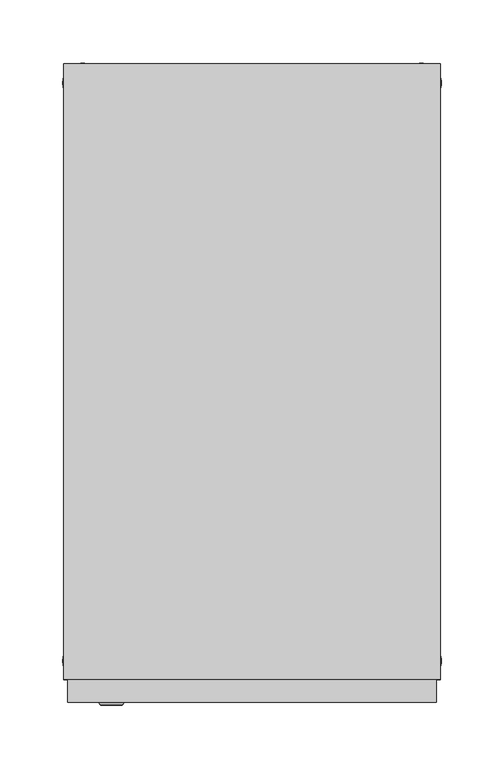
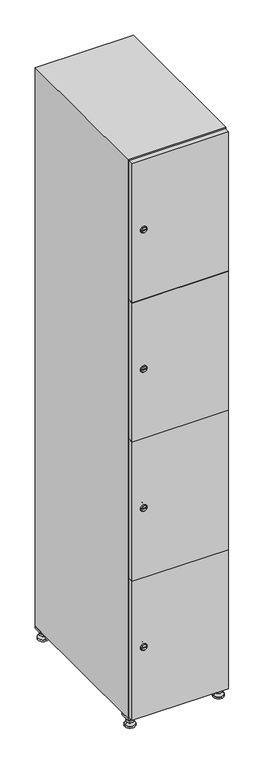
"""IFC4 building model written with IfcOpenShell, lengths in millimetres: furniture geometry."""

from ifc_helpers import new_model, si_unit, point, frame, frame_2d, origin, origin_with_axes, place, context, project, spatial, polyline, circle_curve, trimmed, segment, composite_curve, outline, extrude, faceted_brep, source, transform, mapped, element, save
from ifc_brep_helpers import plane_surface, revolved_surface, advanced_brep


def furniture_fc5e28e0(model_context):
    return source(origin(), model_context, "Body", "SolidModel", [
        extrude(outline(polyline([(100.0, 245.0), (100.0, 215.0), (70.0, 215.0), (70.0, 245.0), (100.0, 245.0)]), holes=[polyline([(98.0, 243.0), (72.0, 243.0), (72.0, 217.0), (98.0, 217.0), (98.0, 243.0)])]), frame((0.0, 0.0, 28.5), z_axis=(0.0, 0.0, 1.0), x_axis=(1.0, 0.0, 0.0)), (0.0, 0.0, 1.0), 6.5),
        extrude(outline(polyline([(70.0, -245.0), (70.0, -215.0), (100.0, -215.0), (100.0, -245.0), (70.0, -245.0)]), holes=[polyline([(72.0, -243.0), (98.0, -243.0), (98.0, -217.0), (72.0, -217.0), (72.0, -243.0)])]), frame((0.0, 0.0, 28.5), z_axis=(0.0, 0.0, 1.0), x_axis=(1.0, 0.0, 0.0)), (0.0, 0.0, 1.0), 6.5),
        extrude(outline(polyline([(-170.0, 245.0), (-170.0, 215.0), (-200.0, 215.0), (-200.0, 245.0), (-170.0, 245.0)]), holes=[polyline([(-172.0, 243.0), (-198.0, 243.0), (-198.0, 217.0), (-172.0, 217.0), (-172.0, 243.0)])]), frame((0.0, 0.0, 28.5), z_axis=(0.0, 0.0, 1.0), x_axis=(1.0, 0.0, 0.0)), (0.0, 0.0, 1.0), 6.5),
        extrude(outline(polyline([(-170.0, -215.0), (-170.0, -245.0), (-200.0, -245.0), (-200.0, -215.0), (-170.0, -215.0)]), holes=[polyline([(-198.0, -243.0), (-172.0, -243.0), (-172.0, -217.0), (-198.0, -217.0), (-198.0, -243.0)])]), frame((0.0, 0.0, 28.5), z_axis=(0.0, 0.0, 1.0), x_axis=(1.0, 0.0, 0.0)), (0.0, 0.0, 1.0), 6.5),
        extrude(outline(composite_curve([segment(trimmed(circle_curve(frame_2d((-185.0, 230.0)), 5.0), [point((-180.0, 230.0))], [point((-190.0, 230.0))], False, "CARTESIAN"), True, "CONTINUOUS"), segment(trimmed(circle_curve(frame_2d((-185.0, 230.0)), 5.0), [point((-190.0, 230.0))], [point((-180.0, 230.0))], False, "CARTESIAN"), True, "CONTINUOUS")], self_intersect=False)), frame((0.0, 0.0, 19.6), z_axis=(0.0, 0.0, 1.0), x_axis=(1.0, 0.0, 0.0)), (0.0, 0.0, 1.0), 15.4),
        extrude(outline(composite_curve([segment(trimmed(circle_curve(frame_2d((-185.0, -230.0)), 5.0), [point((-180.0, -230.0))], [point((-190.0, -230.0))], False, "CARTESIAN"), True, "CONTINUOUS"), segment(trimmed(circle_curve(frame_2d((-185.0, -230.0)), 5.0), [point((-190.0, -230.0))], [point((-180.0, -230.0))], False, "CARTESIAN"), True, "CONTINUOUS")], self_intersect=False)), frame((0.0, 0.0, 19.6), z_axis=(0.0, 0.0, 1.0), x_axis=(1.0, 0.0, 0.0)), (0.0, 0.0, 1.0), 15.4),
        extrude(outline(composite_curve([segment(trimmed(circle_curve(frame_2d((85.0, 230.0)), 5.0), [point((90.0, 230.0))], [point((80.0, 230.0))], False, "CARTESIAN"), True, "CONTINUOUS"), segment(trimmed(circle_curve(frame_2d((85.0, 230.0)), 5.0), [point((80.0, 230.0))], [point((90.0, 230.0))], False, "CARTESIAN"), True, "CONTINUOUS")], self_intersect=False)), frame((0.0, 0.0, 19.6), z_axis=(0.0, 0.0, 1.0), x_axis=(1.0, 0.0, 0.0)), (0.0, 0.0, 1.0), 15.4),
        extrude(outline(polyline([(73.4529946, 230.0), (79.2264973, 240.0), (90.7735027, 240.0), (96.5470054, 230.0), (90.7735027, 220.0), (79.2264973, 220.0), (73.4529946, 230.0)])), frame((0.0, 0.0, 13.6), z_axis=(0.0, 0.0, 1.0), x_axis=(1.0, 0.0, 0.0)), (0.0, 0.0, 1.0), 6.0),
        extrude(outline(composite_curve([segment(trimmed(circle_curve(frame_2d((85.0, -230.0)), 5.0), [point((90.0, -230.0))], [point((80.0, -230.0))], False, "CARTESIAN"), True, "CONTINUOUS"), segment(trimmed(circle_curve(frame_2d((85.0, -230.0)), 5.0), [point((80.0, -230.0))], [point((90.0, -230.0))], False, "CARTESIAN"), True, "CONTINUOUS")], self_intersect=False)), frame((0.0, 0.0, 19.6), z_axis=(0.0, 0.0, 1.0), x_axis=(1.0, 0.0, 0.0)), (0.0, 0.0, 1.0), 15.4),
        extrude(outline(polyline([(73.4529946, -230.0), (79.2264973, -220.0), (90.7735027, -220.0), (96.5470054, -230.0), (90.7735027, -240.0), (79.2264973, -240.0), (73.4529946, -230.0)])), frame((0.0, 0.0, 13.6), z_axis=(0.0, 0.0, 1.0), x_axis=(1.0, 0.0, 0.0)), (0.0, 0.0, 1.0), 6.0),
        extrude(outline(composite_curve([segment(trimmed(circle_curve(frame_2d((85.0, 230.0)), 5.0), [point((90.0, 230.0))], [point((80.0, 230.0))], False, "CARTESIAN"), True, "CONTINUOUS"), segment(trimmed(circle_curve(frame_2d((85.0, 230.0)), 5.0), [point((80.0, 230.0))], [point((90.0, 230.0))], False, "CARTESIAN"), True, "CONTINUOUS")], self_intersect=False)), frame((0.0, 0.0, 12.1), z_axis=(0.0, 0.0, 1.0), x_axis=(1.0, 0.0, 0.0)), (0.0, 0.0, 1.0), 1.5),
        extrude(outline(composite_curve([segment(trimmed(circle_curve(frame_2d((85.0, -230.0)), 5.0), [point((90.0, -230.0))], [point((80.0, -230.0))], False, "CARTESIAN"), True, "CONTINUOUS"), segment(trimmed(circle_curve(frame_2d((85.0, -230.0)), 5.0), [point((80.0, -230.0))], [point((90.0, -230.0))], False, "CARTESIAN"), True, "CONTINUOUS")], self_intersect=False)), frame((0.0, 0.0, 12.1), z_axis=(0.0, 0.0, 1.0), x_axis=(1.0, 0.0, 0.0)), (0.0, 0.0, 1.0), 1.5),
        extrude(outline(polyline([(-196.5470054, 230.0), (-190.7735027, 240.0), (-179.2264973, 240.0), (-173.4529946, 230.0), (-179.2264973, 220.0), (-190.7735027, 220.0), (-196.5470054, 230.0)])), frame((0.0, 0.0, 13.6), z_axis=(0.0, 0.0, 1.0), x_axis=(1.0, 0.0, 0.0)), (0.0, 0.0, 1.0), 6.0),
        extrude(outline(polyline([(-196.5470054, -230.0), (-190.7735027, -220.0), (-179.2264973, -220.0), (-173.4529946, -230.0), (-179.2264973, -240.0), (-190.7735027, -240.0), (-196.5470054, -230.0)])), frame((0.0, 0.0, 13.6), z_axis=(0.0, 0.0, 1.0), x_axis=(1.0, 0.0, 0.0)), (0.0, 0.0, 1.0), 6.0),
        extrude(outline(composite_curve([segment(trimmed(circle_curve(frame_2d((-185.0, 230.0)), 5.0), [point((-185.0, 235.0))], [point((-185.0, 225.0))], False, "CARTESIAN"), True, "CONTINUOUS"), segment(trimmed(circle_curve(frame_2d((-185.0, 230.0)), 5.0), [point((-185.0, 225.0))], [point((-185.0, 235.0))], False, "CARTESIAN"), True, "CONTINUOUS")], self_intersect=False)), frame((0.0, 0.0, 12.1), z_axis=(0.0, 0.0, 1.0), x_axis=(1.0, 0.0, 0.0)), (0.0, 0.0, 1.0), 1.5),
        extrude(outline(composite_curve([segment(trimmed(circle_curve(frame_2d((-185.0, -230.0)), 5.0), [point((-180.0, -230.0))], [point((-190.0, -230.0))], False, "CARTESIAN"), True, "CONTINUOUS"), segment(trimmed(circle_curve(frame_2d((-185.0, -230.0)), 5.0), [point((-190.0, -230.0))], [point((-180.0, -230.0))], False, "CARTESIAN"), True, "CONTINUOUS")], self_intersect=False)), frame((0.0, 0.0, 12.1), z_axis=(0.0, 0.0, 1.0), x_axis=(1.0, 0.0, 0.0)), (0.0, 0.0, 1.0), 1.5),
        extrude(outline(composite_curve([segment(trimmed(circle_curve(frame_2d((85.0, 230.0)), 15.75), [point((100.75, 230.0))], [point((69.25, 230.0))], False, "CARTESIAN"), True, "CONTINUOUS"), segment(trimmed(circle_curve(frame_2d((85.0, 230.0)), 15.75), [point((69.25, 230.0))], [point((100.75, 230.0))], False, "CARTESIAN"), True, "CONTINUOUS")], self_intersect=False)), origin_with_axes(), (0.0, 0.0, 1.0), 5.1),
        extrude(outline(composite_curve([segment(trimmed(circle_curve(frame_2d((85.0, -230.0)), 15.75), [point((85.0, -214.25))], [point((85.0, -245.75))], False, "CARTESIAN"), True, "CONTINUOUS"), segment(trimmed(circle_curve(frame_2d((85.0, -230.0)), 15.75), [point((85.0, -245.75))], [point((85.0, -214.25))], False, "CARTESIAN"), True, "CONTINUOUS")], self_intersect=False)), origin_with_axes(), (0.0, 0.0, 1.0), 5.1),
        extrude(outline(composite_curve([segment(trimmed(circle_curve(frame_2d((-185.0, -230.0)), 15.75), [point((-169.25, -230.0))], [point((-200.75, -230.0))], False, "CARTESIAN"), True, "CONTINUOUS"), segment(trimmed(circle_curve(frame_2d((-185.0, -230.0)), 15.75), [point((-200.75, -230.0))], [point((-169.25, -230.0))], False, "CARTESIAN"), True, "CONTINUOUS")], self_intersect=False)), origin_with_axes(), (0.0, 0.0, 1.0), 5.1),
        extrude(outline(composite_curve([segment(trimmed(circle_curve(frame_2d((-185.0, 230.0)), 15.75), [point((-169.25, 230.0))], [point((-200.75, 230.0))], False, "CARTESIAN"), True, "CONTINUOUS"), segment(trimmed(circle_curve(frame_2d((-185.0, 230.0)), 15.75), [point((-200.75, 230.0))], [point((-169.25, 230.0))], False, "CARTESIAN"), True, "CONTINUOUS")], self_intersect=False)), origin_with_axes(), (0.0, 0.0, 1.0), 5.1),
        advanced_brep(
        [(-185.0, 239.5, 12.1), (-185.0, 220.5, 12.1), (-185.0, 214.25, 5.1), (-185.0, 245.75, 5.1)],
        [
            (0, 1, circle_curve(frame((-185.0, 230.0, 12.1), z_axis=(0.0, 0.0, -1.0), x_axis=(0.0, 1.0, 0.0)), 9.5)),
            (1, 2),
            (2, 3, circle_curve(frame((-185.0, 230.0, 5.1), z_axis=(0.0, 0.0, 1.0), x_axis=(0.0, 1.0, 0.0)), 15.75)),
            (3, 0),
            (1, 0, circle_curve(frame((-185.0, 230.0, 12.1), z_axis=(0.0, 0.0, -1.0), x_axis=(0.0, -1.0, 0.0)), 9.5)),
            (3, 2, circle_curve(frame((-185.0, 230.0, 5.1), z_axis=(0.0, 0.0, 1.0), x_axis=(0.0, -1.0, 0.0)), 15.75)),
        ],
        [
            revolved_surface(polyline([(-185.0, 220.5, 12.099999999999998), (-185.0, 214.25, 5.099999999999998)]), (-185.0, 230.0, 22.74), (0.0, 0.0, -1.0)),
            revolved_surface(polyline([(-185.0, 239.5, 12.099999999999998), (-185.0, 245.75, 5.099999999999998)]), (-185.0, 230.0, 22.74), (0.0, 0.0, -1.0)),
            plane_surface(frame((-185.0, 230.0, 5.1), z_axis=(0.0, 0.0, -1.0), x_axis=(1.0, 0.0, 0.0))),
            plane_surface(frame((-185.0, 230.0, 12.1), z_axis=(0.0, 0.0, 1.0), x_axis=(1.0, 0.0, 0.0))),
        ],
        [
            (0, [[1, 2, 3, 4]]),
            (1, [[5, -4, 6, -2]]),
            (2, [[-3, -6]]),
            (3, [[-5, -1]]),
        ],
    ),
        advanced_brep(
        [(85.0, 239.5, 12.1), (85.0, 220.5, 12.1), (85.0, 214.25, 5.1), (85.0, 245.75, 5.1)],
        [
            (0, 1, circle_curve(frame((85.0, 230.0, 12.1), z_axis=(0.0, 0.0, -1.0), x_axis=(0.0, 1.0, 0.0)), 9.5)),
            (1, 2),
            (2, 3, circle_curve(frame((85.0, 230.0, 5.1), z_axis=(0.0, 0.0, 1.0), x_axis=(0.0, 1.0, 0.0)), 15.75)),
            (3, 0),
            (1, 0, circle_curve(frame((85.0, 230.0, 12.1), z_axis=(0.0, 0.0, -1.0), x_axis=(0.0, -1.0, 0.0)), 9.5)),
            (3, 2, circle_curve(frame((85.0, 230.0, 5.1), z_axis=(0.0, 0.0, 1.0), x_axis=(0.0, -1.0, 0.0)), 15.75)),
        ],
        [
            revolved_surface(polyline([(85.0, 220.5, 12.099999999999998), (85.0, 214.25, 5.099999999999998)]), (85.0, 230.0, 22.74), (0.0, 0.0, -1.0)),
            revolved_surface(polyline([(85.0, 239.5, 12.099999999999998), (85.0, 245.75, 5.099999999999998)]), (85.0, 230.0, 22.74), (0.0, 0.0, -1.0)),
            plane_surface(frame((85.0, 230.0, 5.1), z_axis=(0.0, 0.0, -1.0), x_axis=(1.0, 0.0, 0.0))),
            plane_surface(frame((85.0, 230.0, 12.1), z_axis=(0.0, 0.0, 1.0), x_axis=(1.0, 0.0, 0.0))),
        ],
        [
            (0, [[1, 2, 3, 4]]),
            (1, [[5, -4, 6, -2]]),
            (2, [[-3, -6]]),
            (3, [[-5, -1]]),
        ],
    ),
        advanced_brep(
        [(100.75, -230.0, 5.1), (69.25, -230.0, 5.1), (75.5, -230.0, 12.1), (94.5, -230.0, 12.1)],
        [
            (0, 1, circle_curve(frame((85.0, -230.0, 5.1), z_axis=(0.0, 0.0, 1.0), x_axis=(1.0, 0.0, 0.0)), 15.75)),
            (1, 2),
            (2, 3, circle_curve(frame((85.0, -230.0, 12.1), z_axis=(0.0, 0.0, -1.0), x_axis=(1.0, 0.0, 0.0)), 9.5)),
            (3, 0),
            (1, 0, circle_curve(frame((85.0, -230.0, 5.1), z_axis=(0.0, 0.0, 1.0), x_axis=(-1.0, 0.0, 0.0)), 15.75)),
            (3, 2, circle_curve(frame((85.0, -230.0, 12.1), z_axis=(0.0, 0.0, -1.0), x_axis=(-1.0, 0.0, 0.0)), 9.5)),
        ],
        [
            revolved_surface(polyline([(94.5, -230.0, 12.099999999999998), (100.75, -230.0, 5.099999999999998)]), (85.0, -230.0, 22.74), (0.0, 0.0, -1.0)),
            revolved_surface(polyline([(75.5, -230.0, 12.099999999999998), (69.25, -230.0, 5.099999999999998)]), (85.0, -230.0, 22.74), (0.0, 0.0, -1.0)),
            plane_surface(frame((85.0, -230.0, 12.1), z_axis=(0.0, 0.0, 1.0), x_axis=(0.0, 1.0, 0.0))),
            plane_surface(frame((85.0, -230.0, 5.1), z_axis=(0.0, 0.0, -1.0), x_axis=(0.0, 1.0, 0.0))),
        ],
        [
            (0, [[1, 2, 3, 4]]),
            (1, [[5, -4, 6, -2]]),
            (2, [[-3, -6]]),
            (3, [[-5, -1]]),
        ],
    ),
        advanced_brep(
        [(-169.25, -230.0, 5.1), (-200.75, -230.0, 5.1), (-194.5, -230.0, 12.1), (-175.5, -230.0, 12.1)],
        [
            (0, 1, circle_curve(frame((-185.0, -230.0, 5.1), z_axis=(0.0, 0.0, 1.0), x_axis=(1.0, 0.0, 0.0)), 15.75)),
            (1, 2),
            (2, 3, circle_curve(frame((-185.0, -230.0, 12.1), z_axis=(0.0, 0.0, -1.0), x_axis=(1.0, 0.0, 0.0)), 9.5)),
            (3, 0),
            (1, 0, circle_curve(frame((-185.0, -230.0, 5.1), z_axis=(0.0, 0.0, 1.0), x_axis=(-1.0, 0.0, 0.0)), 15.75)),
            (3, 2, circle_curve(frame((-185.0, -230.0, 12.1), z_axis=(0.0, 0.0, -1.0), x_axis=(-1.0, 0.0, 0.0)), 9.5)),
        ],
        [
            revolved_surface(polyline([(-175.5, -230.0, 12.099999999999998), (-169.25, -230.0, 5.099999999999998)]), (-185.0, -230.0, 22.74), (0.0, 0.0, -1.0)),
            revolved_surface(polyline([(-194.5, -230.0, 12.099999999999998), (-200.75, -230.0, 5.099999999999998)]), (-185.0, -230.0, 22.74), (0.0, 0.0, -1.0)),
            plane_surface(frame((-185.0, -230.0, 12.1), z_axis=(0.0, 0.0, 1.0), x_axis=(0.0, 1.0, 0.0))),
            plane_surface(frame((-185.0, -230.0, 5.1), z_axis=(0.0, 0.0, -1.0), x_axis=(0.0, 1.0, 0.0))),
        ],
        [
            (0, [[1, 2, 3, 4]]),
            (1, [[5, -4, 6, -2]]),
            (2, [[-3, -6]]),
            (3, [[-5, -1]]),
        ],
    ),
        extrude(outline(composite_curve([segment(trimmed(circle_curve(frame_2d((262.25, -188.7989466)), 7.0), [point((269.25, -188.7989466))], [point((255.25, -188.7989466))], False, "CARTESIAN"), True, "CONTINUOUS"), segment(polyline([(255.25, -188.7989466), (255.25, -160.7989466)]), True, "CONTINUOUS"), segment(trimmed(circle_curve(frame_2d((262.25, -160.7989466)), 7.0), [point((255.25, -160.7989466))], [point((269.25, -160.7989466))], False, "CARTESIAN"), True, "CONTINUOUS"), segment(polyline([(269.25, -160.7989466), (269.25, -188.7989466)]), True, "CONTINUOUS")], self_intersect=False)), frame((0.0, -245.0, 0.0), z_axis=(0.0, 1.0, 0.0), x_axis=(0.0, 0.0, 1.0)), (0.0, 0.0, 1.0), 2.0),
        advanced_brep(
        [(-153.5, -265.2, 262.25), (-170.5, -265.2, 262.25), (-167.0, -265.2, 261.0), (-167.0, -265.2, 263.5), (-157.0, -265.2, 263.5), (-157.0, -265.2, 261.0), (-151.5, -263.0, 262.25), (-172.5, -263.0, 262.25), (-167.0, -263.0, 263.5), (-167.0, -263.0, 261.0), (-157.0, -263.0, 261.0), (-157.0, -263.0, 263.5)],
        [
            (0, 1, circle_curve(frame((-162.0, -265.2, 262.25), z_axis=(0.0, -1.0, 0.0), x_axis=(1.0, 0.0, 0.0)), 8.5)),
            (1, 0, circle_curve(frame((-162.0, -265.2, 262.25), z_axis=(0.0, -1.0, 0.0), x_axis=(-1.0, 0.0, 0.0)), 8.5)),
            (2, 3),
            (3, 4),
            (4, 5),
            (5, 2),
            (6, 7, circle_curve(frame((-162.0, -263.0, 262.25), z_axis=(0.0, 1.0, 0.0), x_axis=(-1.0, 0.0, 0.0)), 10.5)),
            (7, 6, circle_curve(frame((-162.0, -263.0, 262.25), z_axis=(0.0, 1.0, 0.0), x_axis=(1.0, 0.0, 0.0)), 10.5)),
            (8, 9),
            (9, 10),
            (10, 11),
            (11, 8),
            (0, 6),
            (7, 1),
            (8, 3),
            (2, 9),
            (11, 4),
            (10, 5),
        ],
        [
            plane_surface(frame((-162.0, -265.2, 262.25), z_axis=(0.0, -1.0, 0.0), x_axis=(0.0, 0.0, 1.0))),
            plane_surface(frame((-162.0, -263.0, 262.25), z_axis=(0.0, 1.0, 0.0), x_axis=(0.0, 0.0, 1.0))),
            revolved_surface(polyline([(-153.5, -265.2, 262.25), (-151.5, -263.0, 262.25)]), (-162.0, -274.55, 262.25), (0.0, 1.0, 0.0)),
            revolved_surface(polyline([(-170.5, -265.2, 262.25), (-172.5, -263.0, 262.25)]), (-162.0, -274.55, 262.25), (0.0, 1.0, 0.0)),
            plane_surface(frame((-167.0, -263.0, 261.0), z_axis=(1.0, 0.0, 0.0), x_axis=(0.0, -1.0, 0.0))),
            plane_surface(frame((-167.0, -263.0, 263.5), z_axis=(0.0, 0.0, -1.0), x_axis=(0.0, -1.0, 0.0))),
            plane_surface(frame((-157.0, -263.0, 263.5), z_axis=(-1.0, 0.0, 0.0), x_axis=(0.0, -1.0, 0.0))),
            plane_surface(frame((-157.0, -263.0, 261.0), z_axis=(0.0, 0.0, 1.0), x_axis=(0.0, -1.0, 0.0))),
        ],
        [
            (0, [[1, 2], [3, 4, 5, 6]]),
            (1, [[7, 8], [9, 10, 11, 12]]),
            (2, [[-1, 13, -8, 14]]),
            (3, [[-2, -14, -7, -13]]),
            (4, [[15, -3, 16, -9]]),
            (5, [[-15, -12, 17, -4]]),
            (6, [[-17, -11, 18, -5]]),
            (7, [[-16, -6, -18, -10]]),
        ],
    ),
        extrude(outline(composite_curve([segment(trimmed(circle_curve(frame_2d((710.75, -188.7989466)), 7.0), [point((717.75, -188.7989466))], [point((703.75, -188.7989466))], False, "CARTESIAN"), True, "CONTINUOUS"), segment(polyline([(703.75, -188.7989466), (703.75, -160.7989466)]), True, "CONTINUOUS"), segment(trimmed(circle_curve(frame_2d((710.75, -160.7989466)), 7.0), [point((703.75, -160.7989466))], [point((717.75, -160.7989466))], False, "CARTESIAN"), True, "CONTINUOUS"), segment(polyline([(717.75, -160.7989466), (717.75, -188.7989466)]), True, "CONTINUOUS")], self_intersect=False)), frame((0.0, -245.0, 0.0), z_axis=(0.0, 1.0, 0.0), x_axis=(0.0, 0.0, 1.0)), (0.0, 0.0, 1.0), 2.0),
        advanced_brep(
        [(-153.5, -265.2, 710.75), (-170.5, -265.2, 710.75), (-167.0, -265.2, 709.5), (-167.0, -265.2, 712.0), (-157.0, -265.2, 712.0), (-157.0, -265.2, 709.5), (-151.5, -263.0, 710.75), (-172.5, -263.0, 710.75), (-167.0, -263.0, 712.0), (-167.0, -263.0, 709.5), (-157.0, -263.0, 709.5), (-157.0, -263.0, 712.0)],
        [
            (0, 1, circle_curve(frame((-162.0, -265.2, 710.75), z_axis=(0.0, -1.0, 0.0), x_axis=(1.0, 0.0, 0.0)), 8.5)),
            (1, 0, circle_curve(frame((-162.0, -265.2, 710.75), z_axis=(0.0, -1.0, 0.0), x_axis=(-1.0, 0.0, 0.0)), 8.5)),
            (2, 3),
            (3, 4),
            (4, 5),
            (5, 2),
            (6, 7, circle_curve(frame((-162.0, -263.0, 710.75), z_axis=(0.0, 1.0, 0.0), x_axis=(-1.0, 0.0, 0.0)), 10.5)),
            (7, 6, circle_curve(frame((-162.0, -263.0, 710.75), z_axis=(0.0, 1.0, 0.0), x_axis=(1.0, 0.0, 0.0)), 10.5)),
            (8, 9),
            (9, 10),
            (10, 11),
            (11, 8),
            (0, 6),
            (7, 1),
            (8, 3),
            (2, 9),
            (11, 4),
            (10, 5),
        ],
        [
            plane_surface(frame((-162.0, -265.2, 710.75), z_axis=(0.0, -1.0, 0.0), x_axis=(0.0, 0.0, 1.0))),
            plane_surface(frame((-162.0, -263.0, 710.75), z_axis=(0.0, 1.0, 0.0), x_axis=(0.0, 0.0, 1.0))),
            revolved_surface(polyline([(-153.5, -265.2, 710.75), (-151.5, -263.0, 710.75)]), (-162.0, -274.55, 710.75), (0.0, 1.0, 0.0)),
            revolved_surface(polyline([(-170.5, -265.2, 710.75), (-172.5, -263.0, 710.75)]), (-162.0, -274.55, 710.75), (0.0, 1.0, 0.0)),
            plane_surface(frame((-167.0, -263.0, 709.5), z_axis=(1.0, 0.0, 0.0), x_axis=(0.0, -1.0, 0.0))),
            plane_surface(frame((-167.0, -263.0, 712.0), z_axis=(0.0, 0.0, -1.0), x_axis=(0.0, -1.0, 0.0))),
            plane_surface(frame((-157.0, -263.0, 712.0), z_axis=(-1.0, 0.0, 0.0), x_axis=(0.0, -1.0, 0.0))),
            plane_surface(frame((-157.0, -263.0, 709.5), z_axis=(0.0, 0.0, 1.0), x_axis=(0.0, -1.0, 0.0))),
        ],
        [
            (0, [[1, 2], [3, 4, 5, 6]]),
            (1, [[7, 8], [9, 10, 11, 12]]),
            (2, [[-1, 13, -8, 14]]),
            (3, [[-2, -14, -7, -13]]),
            (4, [[15, -3, 16, -9]]),
            (5, [[-15, -12, 17, -4]]),
            (6, [[-17, -11, 18, -5]]),
            (7, [[-16, -6, -18, -10]]),
        ],
    ),
        extrude(outline(composite_curve([segment(trimmed(circle_curve(frame_2d((1159.25, -188.7989466)), 7.0), [point((1166.25, -188.7989466))], [point((1152.25, -188.7989466))], False, "CARTESIAN"), True, "CONTINUOUS"), segment(polyline([(1152.25, -188.7989466), (1152.25, -160.7989466)]), True, "CONTINUOUS"), segment(trimmed(circle_curve(frame_2d((1159.25, -160.7989466)), 7.0), [point((1152.25, -160.7989466))], [point((1166.25, -160.7989466))], False, "CARTESIAN"), True, "CONTINUOUS"), segment(polyline([(1166.25, -160.7989466), (1166.25, -188.7989466)]), True, "CONTINUOUS")], self_intersect=False)), frame((0.0, -245.0, 0.0), z_axis=(0.0, 1.0, 0.0), x_axis=(0.0, 0.0, 1.0)), (0.0, 0.0, 1.0), 2.0),
        advanced_brep(
        [(-153.5, -265.2, 1159.25), (-170.5, -265.2, 1159.25), (-167.0, -265.2, 1158.0), (-167.0, -265.2, 1160.5), (-157.0, -265.2, 1160.5), (-157.0, -265.2, 1158.0), (-151.5, -263.0, 1159.25), (-172.5, -263.0, 1159.25), (-167.0, -263.0, 1160.5), (-167.0, -263.0, 1158.0), (-157.0, -263.0, 1158.0), (-157.0, -263.0, 1160.5)],
        [
            (0, 1, circle_curve(frame((-162.0, -265.2, 1159.25), z_axis=(0.0, -1.0, 0.0), x_axis=(1.0, 0.0, 0.0)), 8.5)),
            (1, 0, circle_curve(frame((-162.0, -265.2, 1159.25), z_axis=(0.0, -1.0, 0.0), x_axis=(-1.0, 0.0, 0.0)), 8.5)),
            (2, 3),
            (3, 4),
            (4, 5),
            (5, 2),
            (6, 7, circle_curve(frame((-162.0, -263.0, 1159.25), z_axis=(0.0, 1.0, 0.0), x_axis=(-1.0, 0.0, 0.0)), 10.5)),
            (7, 6, circle_curve(frame((-162.0, -263.0, 1159.25), z_axis=(0.0, 1.0, 0.0), x_axis=(1.0, 0.0, 0.0)), 10.5)),
            (8, 9),
            (9, 10),
            (10, 11),
            (11, 8),
            (0, 6),
            (7, 1),
            (8, 3),
            (2, 9),
            (11, 4),
            (10, 5),
        ],
        [
            plane_surface(frame((-162.0, -265.2, 1159.25), z_axis=(0.0, -1.0, 0.0), x_axis=(0.0, 0.0, 1.0))),
            plane_surface(frame((-162.0, -263.0, 1159.25), z_axis=(0.0, 1.0, 0.0), x_axis=(0.0, 0.0, 1.0))),
            revolved_surface(polyline([(-153.5, -265.2, 1159.25), (-151.5, -263.0, 1159.25)]), (-162.0, -274.55, 1159.25), (0.0, 1.0, 0.0)),
            revolved_surface(polyline([(-170.5, -265.2, 1159.25), (-172.5, -263.0, 1159.25)]), (-162.0, -274.55, 1159.25), (0.0, 1.0, 0.0)),
            plane_surface(frame((-167.0, -263.0, 1158.0), z_axis=(1.0, 0.0, 0.0), x_axis=(0.0, -1.0, 0.0))),
            plane_surface(frame((-167.0, -263.0, 1160.5), z_axis=(0.0, 0.0, -1.0), x_axis=(0.0, -1.0, 0.0))),
            plane_surface(frame((-157.0, -263.0, 1160.5), z_axis=(-1.0, 0.0, 0.0), x_axis=(0.0, -1.0, 0.0))),
            plane_surface(frame((-157.0, -263.0, 1158.0), z_axis=(0.0, 0.0, 1.0), x_axis=(0.0, -1.0, 0.0))),
        ],
        [
            (0, [[1, 2], [3, 4, 5, 6]]),
            (1, [[7, 8], [9, 10, 11, 12]]),
            (2, [[-1, 13, -8, 14]]),
            (3, [[-2, -14, -7, -13]]),
            (4, [[15, -3, 16, -9]]),
            (5, [[-15, -12, 17, -4]]),
            (6, [[-17, -11, 18, -5]]),
            (7, [[-16, -6, -18, -10]]),
        ],
    ),
        extrude(outline(composite_curve([segment(trimmed(circle_curve(frame_2d((1607.75, -188.7989466)), 7.0), [point((1614.75, -188.7989466))], [point((1600.75, -188.7989466))], False, "CARTESIAN"), True, "CONTINUOUS"), segment(polyline([(1600.75, -188.7989466), (1600.75, -160.7989466)]), True, "CONTINUOUS"), segment(trimmed(circle_curve(frame_2d((1607.75, -160.7989466)), 7.0), [point((1600.75, -160.7989466))], [point((1614.75, -160.7989466))], False, "CARTESIAN"), True, "CONTINUOUS"), segment(polyline([(1614.75, -160.7989466), (1614.75, -188.7989466)]), True, "CONTINUOUS")], self_intersect=False)), frame((0.0, -245.0, 0.0), z_axis=(0.0, 1.0, 0.0), x_axis=(0.0, 0.0, 1.0)), (0.0, 0.0, 1.0), 2.0),
        advanced_brep(
        [(-153.5, -265.2, 1607.75), (-170.5, -265.2, 1607.75), (-167.0, -265.2, 1606.5), (-167.0, -265.2, 1609.0), (-157.0, -265.2, 1609.0), (-157.0, -265.2, 1606.5), (-151.5, -263.0, 1607.75), (-172.5, -263.0, 1607.75), (-167.0, -263.0, 1609.0), (-167.0, -263.0, 1606.5), (-157.0, -263.0, 1606.5), (-157.0, -263.0, 1609.0)],
        [
            (0, 1, circle_curve(frame((-162.0, -265.2, 1607.75), z_axis=(0.0, -1.0, 0.0), x_axis=(1.0, 0.0, 0.0)), 8.5)),
            (1, 0, circle_curve(frame((-162.0, -265.2, 1607.75), z_axis=(0.0, -1.0, 0.0), x_axis=(-1.0, 0.0, 0.0)), 8.5)),
            (2, 3),
            (3, 4),
            (4, 5),
            (5, 2),
            (6, 7, circle_curve(frame((-162.0, -263.0, 1607.75), z_axis=(0.0, 1.0, 0.0), x_axis=(-1.0, 0.0, 0.0)), 10.5)),
            (7, 6, circle_curve(frame((-162.0, -263.0, 1607.75), z_axis=(0.0, 1.0, 0.0), x_axis=(1.0, 0.0, 0.0)), 10.5)),
            (8, 9),
            (9, 10),
            (10, 11),
            (11, 8),
            (0, 6),
            (7, 1),
            (8, 3),
            (2, 9),
            (11, 4),
            (10, 5),
        ],
        [
            plane_surface(frame((-162.0, -265.2, 1607.75), z_axis=(0.0, -1.0, 0.0), x_axis=(0.0, 0.0, 1.0))),
            plane_surface(frame((-162.0, -263.0, 1607.75), z_axis=(0.0, 1.0, 0.0), x_axis=(0.0, 0.0, 1.0))),
            revolved_surface(polyline([(-153.5, -265.2, 1607.75), (-151.5, -263.0, 1607.75)]), (-162.0, -274.55, 1607.75), (0.0, 1.0, 0.0)),
            revolved_surface(polyline([(-170.5, -265.2, 1607.75), (-172.5, -263.0, 1607.75)]), (-162.0, -274.55, 1607.75), (0.0, 1.0, 0.0)),
            plane_surface(frame((-167.0, -263.0, 1606.5), z_axis=(1.0, 0.0, 0.0), x_axis=(0.0, -1.0, 0.0))),
            plane_surface(frame((-167.0, -263.0, 1609.0), z_axis=(0.0, 0.0, -1.0), x_axis=(0.0, -1.0, 0.0))),
            plane_surface(frame((-157.0, -263.0, 1609.0), z_axis=(-1.0, 0.0, 0.0), x_axis=(0.0, -1.0, 0.0))),
            plane_surface(frame((-157.0, -263.0, 1606.5), z_axis=(0.0, 0.0, 1.0), x_axis=(0.0, -1.0, 0.0))),
        ],
        [
            (0, [[1, 2], [3, 4, 5, 6]]),
            (1, [[7, 8], [9, 10, 11, 12]]),
            (2, [[-1, 13, -8, 14]]),
            (3, [[-2, -14, -7, -13]]),
            (4, [[15, -3, 16, -9]]),
            (5, [[-15, -12, 17, -4]]),
            (6, [[-17, -11, 18, -5]]),
            (7, [[-16, -6, -18, -10]]),
        ],
    ),
        extrude(outline(polyline([(97.0, -245.0), (97.0, -263.0), (-197.0, -263.0), (-197.0, -245.0), (97.0, -245.0)])), frame((0.0, 0.0, 486.0), z_axis=(0.0, 0.0, 1.0), x_axis=(1.0, 0.0, 0.0)), (0.0, 0.0, 1.0), 448.5),
        extrude(outline(polyline([(97.0, -245.0), (97.0, -263.0), (-197.0, -263.0), (-197.0, -245.0), (97.0, -245.0)])), frame((0.0, 0.0, 935.5), z_axis=(0.0, 0.0, 1.0), x_axis=(1.0, 0.0, 0.0)), (0.0, 0.0, 1.0), 447.5),
        extrude(outline(polyline([(-197.0, -263.0), (-197.0, -245.0), (97.0, -245.0), (97.0, -263.0), (-197.0, -263.0)])), frame((0.0, 0.0, 1384.0), z_axis=(0.0, 0.0, 1.0), x_axis=(1.0, 0.0, 0.0)), (0.0, 0.0, 1.0), 448.0),
        extrude(outline(polyline([(97.0, -245.0), (97.0, -263.0), (-197.0, -263.0), (-197.0, -245.0), (97.0, -245.0)])), frame((0.0, 0.0, 38.0), z_axis=(0.0, 0.0, 1.0), x_axis=(1.0, 0.0, 0.0)), (0.0, 0.0, 1.0), 449.0),
        extrude(outline(polyline([(79.6, 242.0), (79.6, -227.0), (-179.6, -227.0), (-179.6, 242.0), (79.6, 242.0)])), frame((0.0, 0.0, 1359.7), z_axis=(0.0, 0.0, 1.0), x_axis=(1.0, 0.0, 0.0)), (0.0, 0.0, 1.0), 20.4),
        extrude(outline(polyline([(79.6, 242.0), (79.6, -227.0), (-179.6, -227.0), (-179.6, 242.0), (79.6, 242.0)])), frame((0.0, 0.0, 924.8), z_axis=(0.0, 0.0, 1.0), x_axis=(1.0, 0.0, 0.0)), (0.0, 0.0, 1.0), 20.4),
        extrude(outline(polyline([(79.6, 242.0), (79.6, -227.0), (-179.6, -227.0), (-179.6, 242.0), (79.6, 242.0)])), frame((0.0, 0.0, 489.9), z_axis=(0.0, 0.0, 1.0), x_axis=(1.0, 0.0, 0.0)), (0.0, 0.0, 1.0), 20.4),
        faceted_brep([(100.0, -245.0, 35.0), (100.0, -245.0, 1835.0), (-200.0, -245.0, 1835.0), (-200.0, -245.0, 35.0), (79.6, -245.0, 1804.8), (79.6, -245.0, 65.2), (-179.6, -245.0, 65.2), (-179.6, -245.0, 1804.8), (100.0, 245.0, 35.0), (-200.0, 245.0, 35.0), (100.0, 245.0, 1835.0), (-200.0, 245.0, 1835.0), (79.6, 242.0, 1804.8), (79.6, 242.0, 65.2), (-200.0, 245.0, 1804.8), (-179.6, 242.0, 1804.8), (-179.6, 242.0, 65.2)], [[[0, 1, 2, 3], [4, 5, 6, 7]], [[8, 0, 3, 9]], [[1, 0, 8, 10]], [[1, 10, 11, 2]], [[4, 12, 13, 5]], [[9, 3, 2, 11, 14]], [[10, 8, 9, 14, 11]], [[12, 15, 16, 13]], [[15, 7, 6, 16]], [[4, 7, 15, 12]], [[6, 5, 13, 16]]]),
    ])


if __name__ == "__main__":
    model = new_model("IFC4")
    model_context = context("Model", 3, world=origin())
    ifc_project = project(units=[si_unit("LENGTHUNIT", "METRE", prefix="MILLI")], contexts=[model_context])
    site = spatial("IfcSite", under=ifc_project)
    building = spatial("IfcBuilding", under=site)
    placement = place(None, origin())
    furniture_shape = furniture_fc5e28e0(model_context)
    element("IfcFurniture", 1, at=placement, inside=building, context=model_context, shape_type="MappedRepresentation", body=[
        mapped(furniture_shape, transform((0.0, 0.0, 0.0), x_axis=(1.0, 0.0, 0.0), y_axis=(0.0, 1.0, 0.0), z_axis=(0.0, 0.0, 1.0))),
    ])
    save(model, "model.ifc")
